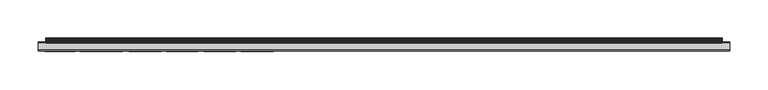
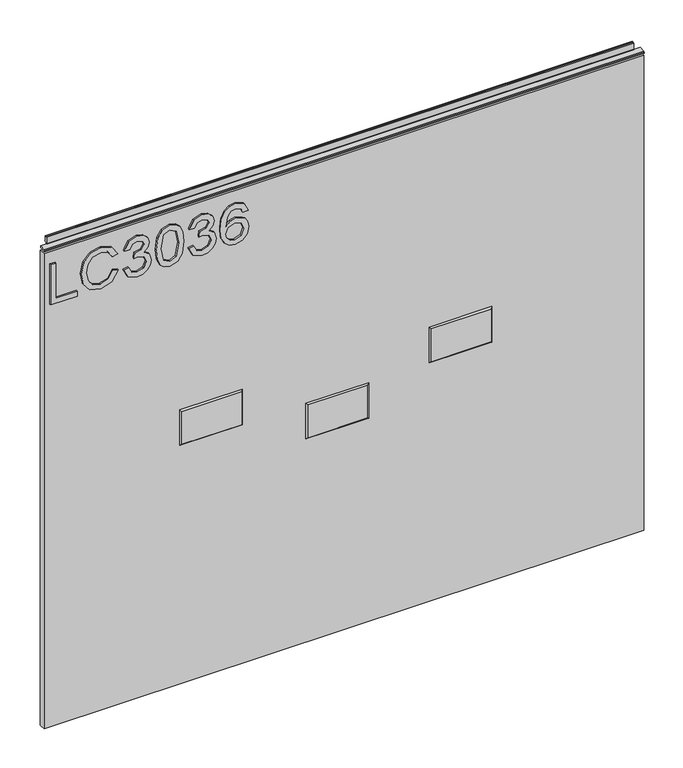
"""IFC4 building model written with IfcOpenShell, lengths in millimetres: furniture geometry."""

from ifc_helpers import new_model, si_unit, frame, origin, place, context, project, spatial, polyline, outline, extrude, faceted_brep, source, transform, mapped, element, save


def furniture_7303c6a2(model_context):
    return source(origin(), model_context, "Body", "SolidModel", [
        extrude(outline(polyline([(773.6078, -289.7737583), (773.6078, -249.9051602), (781.5815196, -249.9051602), (781.5815196, -281.8000387), (837.3975569, -281.8000387), (837.3975569, -289.7737583), (773.6078, -289.7737583)])), frame((0.0, -5.5283158, 0.0), z_axis=(0.0, 1.0, 0.0), x_axis=(0.0, 0.0, 1.0)), (0.0, 0.0, 1.0), 2.38125),
        extrude(outline(polyline([(796.2830652, -196.0825528), (784.5405171, -202.8493129), (780.5848047, -215.0512842), (783.4892943, -226.0540829), (792.265058, -233.5450187), (806.0010359, -235.9511509), (817.8525997, -233.9187868), (827.0099183, -226.8717006), (830.4205523, -214.39719), (827.3447522, -203.6202096), (817.5411263, -197.0792677), (819.4411141, -189.1055481), (833.4262708, -198.1149169), (838.3942719, -214.0857166), (834.555362, -229.410209), (823.3189582, -240.1482552), (805.9854623, -243.9248705), (788.9322924, -240.584318), (776.8004026, -230.8507736), (772.611085, -214.257027), (778.1475251, -197.5620515), (794.2273406, -188.1088332), (796.2830652, -196.0825528)])), frame((0.0, -5.5283158, 0.0), z_axis=(0.0, 1.0, 0.0), x_axis=(0.0, 0.0, 1.0)), (0.0, 0.0, 1.0), 2.38125),
        extrude(outline(polyline([(790.5519542, -180.1351135), (777.6102335, -173.7966294), (772.611085, -159.8114727), (774.0750101, -151.2887812), (778.4667854, -144.3779646), (784.9610063, -139.7993053), (792.7322681, -138.2730855), (803.1043331, -141.3255251), (808.555118, -150.0156336), (813.8345925, -143.4746917), (821.1853653, -141.2632304), (829.2291664, -143.5914942), (835.2094562, -150.3193202), (837.3975569, -159.9360621), (832.9590607, -172.6130304), (820.4534028, -179.1383986), (819.4566878, -171.164679), (826.9320499, -167.2556875), (829.4238373, -159.655736), (826.9554105, -152.1492265), (820.7181552, -149.23695), (813.6788558, -153.2549572), (811.4829682, -163.5803011), (803.5092486, -164.4680004), (804.3813742, -158.8770524), (801.11869, -149.8131758), (792.8724312, -146.2468052), (784.120028, -149.8443232), (780.5848047, -159.5311466), (783.1544604, -167.7618318), (791.5486691, -172.1613939), (790.5519542, -180.1351135)])), frame((0.0, -5.5283158, 0.0), z_axis=(0.0, 1.0, 0.0), x_axis=(0.0, 0.0, 1.0)), (0.0, 0.0, 1.0), 2.38125),
        extrude(outline(polyline([(804.9887473, -131.2960809), (789.4734775, -129.7075664), (778.6848168, -124.9420231), (774.129518, -118.6502599), (772.611085, -110.3650669), (776.1073742, -98.6926004), (786.7130443, -91.7545299), (804.9887473, -89.4340529), (819.9784058, -90.8824043), (829.4160505, -94.6200854), (835.3418324, -101.0520115), (837.3975569, -110.3650669), (833.9246283, -121.9908124), (823.3423188, -128.9522434), (804.9887473, -131.2960809)]), holes=[polyline([(805.004321, -123.3223613), (825.1566514, -119.4600908), (829.4238373, -110.4585089), (824.5804256, -101.0208642), (805.004321, -97.4077725), (785.2179718, -101.1454536), (780.5848047, -110.3650669), (785.2023982, -119.5846802), (805.004321, -123.3223613)])]), frame((0.0, -5.5283158, 0.0), z_axis=(0.0, 1.0, 0.0), x_axis=(0.0, 0.0, 1.0)), (0.0, 0.0, 1.0), 2.38125),
        extrude(outline(polyline([(790.5519542, -82.4570482), (777.6102335, -76.1185641), (772.611085, -62.1334074), (774.0750101, -53.6107159), (778.4667854, -46.6998993), (784.9610063, -42.12124), (792.7322681, -40.5950202), (803.1043331, -43.6474598), (808.555118, -52.3375683), (813.8345925, -45.7966264), (821.1853653, -43.5851651), (829.2291664, -45.9134289), (835.2094562, -52.6412548), (837.3975569, -62.2579968), (832.9590607, -74.9349651), (820.4534028, -81.4603333), (819.4566878, -73.4866136), (826.9320499, -69.5776222), (829.4238373, -61.9776707), (826.9554105, -54.4711612), (820.7181552, -51.5588847), (813.6788558, -55.5768918), (811.4829682, -65.9022358), (803.5092486, -66.7899351), (804.3813742, -61.1989871), (801.11869, -52.1351105), (792.8724312, -48.5687398), (784.120028, -52.1662579), (780.5848047, -61.8530813), (783.1544604, -70.0837665), (791.5486691, -74.4833286), (790.5519542, -82.4570482)])), frame((0.0, -5.5283158, 0.0), z_axis=(0.0, 1.0, 0.0), x_axis=(0.0, 0.0, 1.0)), (0.0, 0.0, 1.0), 2.38125),
        extrude(outline(polyline([(820.4534028, 7.2472975), (832.896766, 1.3604498), (837.3975569, -11.2386501), (835.5793308, -20.4933042), (830.1246525, -27.6377258), (819.2659103, -32.8704793), (803.3846592, -34.6147305), (789.2593395, -33.0437364), (779.7749738, -28.3307542), (774.4020572, -21.1259846), (772.611085, -12.0796284), (775.313117, -1.6296951), (783.0999526, 5.612062), (794.1027512, 8.2440124), (802.2750351, 6.8462755), (808.7887231, 2.6530645), (814.473113, -10.8960294), (812.3940279, -19.6094984), (806.0321833, -26.6410109), (820.2431582, -24.3750417), (827.4927021, -18.9320437), (829.4238373, -11.7370076), (826.1066454, -3.7477143), (819.4566878, -0.7264221), (820.4534028, 7.2472975)]), holes=[polyline([(794.2273406, -26.6410109), (803.11212, -22.6775116), (806.4993934, -13.0296223), (803.11212, -3.2571437), (793.8379988, 0.2702928), (784.1511754, -3.3038647), (780.5848047, -12.7025752), (782.3056953, -19.8898245), (787.3204174, -24.7955309), (794.2273406, -26.6410109)])]), frame((0.0, -5.5283158, 0.0), z_axis=(0.0, 1.0, 0.0), x_axis=(0.0, 0.0, 1.0)), (0.0, 0.0, 1.0), 2.38125),
        faceted_brep([(372.710075, -5.2069939, 534.756122), (283.016325, -5.2069939, 534.756122), (283.016325, -5.2069939, 482.6662783), (372.710075, -5.2069939, 482.6662783), (374.9921062, -3.1749939, 537.0381533), (374.9921062, -3.1749939, 480.384247), (280.7342937, -3.1749939, 480.384247), (280.7342937, -3.1749939, 537.0381533)], [[[0, 1, 2, 3]], [[4, 5, 6, 7]], [[4, 7, 1, 0]], [[7, 6, 2, 1]], [[6, 5, 3, 2]], [[5, 4, 0, 3]]]),
        faceted_brep([(187.452, -5.2069939, 478.7392), (97.79, -5.2069939, 478.7392), (97.79, -5.2069939, 426.6692), (187.452, -5.2069939, 426.6692), (189.738, -3.1749939, 481.0252), (189.738, -3.1749939, 424.3832), (95.504, -3.1749939, 424.3832), (95.504, -3.1749939, 481.0252)], [[[0, 1, 2, 3]], [[4, 5, 6, 7]], [[4, 7, 1, 0]], [[7, 6, 2, 1]], [[6, 5, 3, 2]], [[5, 4, 0, 3]]]),
        faceted_brep([(-2.422525, -5.2069939, 534.756122), (-92.116275, -5.2069939, 534.756122), (-92.116275, -5.2069939, 482.6662783), (-2.422525, -5.2069939, 482.6662783), (-0.1404938, -3.1749939, 537.0381533), (-0.1404938, -3.1749939, 480.384247), (-94.3983063, -3.1749939, 480.384247), (-94.3983063, -3.1749939, 537.0381533)], [[[0, 1, 2, 3]], [[4, 5, 6, 7]], [[4, 7, 1, 0]], [[7, 6, 2, 1]], [[6, 5, 3, 2]], [[5, 4, 0, 3]]]),
        extrude(outline(polyline([(-298.196, 6.3500061), (602.996, 6.3500061), (602.996, -3.1749939), (-298.196, -3.1749939), (-298.196, 6.3500061)])), frame((0.0, 0.0, 101.6), z_axis=(0.0, 0.0, 1.0), x_axis=(1.0, 0.0, 0.0)), (0.0, 0.0, 1.0), 754.5578),
        extrude(outline(polyline([(5.5562561, 863.6), (6.3500061, 863.6), (6.3500061, 873.47425), (7.1437561, 874.268), (8.6677569, 874.268), (10.0084363, 873.8506926), (10.875413, 872.7461816), (10.9623604, 871.3447591), (10.2390011, 868.3863459), (10.4046103, 867.1833307), (11.6746103, 864.9836103), (10.7786383, 864.4663244), (7.1437561, 864.4663244), (7.1437561, 863.6), (6.3500061, 863.3669239), (6.3500061, 856.1578), (5.5562561, 856.1578), (5.5562561, 863.6)])), frame((-288.671, 0.0, 0.0), z_axis=(1.0, 0.0, 0.0), x_axis=(0.0, 1.0, 0.0)), (0.0, 0.0, 1.0), 882.142),
        extrude(outline(polyline([(5.5562561, 863.6), (5.5562561, 860.4249996), (-3.975094, 860.4249996), (-5.3492339, 861.2183657), (-5.3492339, 862.8066395), (-3.9751037, 863.6), (5.5562561, 863.6)])), frame((-298.196, 0.0, 0.0), z_axis=(1.0, 0.0, 0.0), x_axis=(0.0, 1.0, 0.0)), (0.0, 0.0, 1.0), 901.192),
    ])


if __name__ == "__main__":
    model = new_model("IFC4")
    model_context = context("Model", 3, world=origin())
    ifc_project = project(units=[si_unit("LENGTHUNIT", "METRE", prefix="MILLI")], contexts=[model_context])
    site = spatial("IfcSite", under=ifc_project)
    building = spatial("IfcBuilding", under=site)
    placement = place(None, origin())
    furniture_shape = furniture_7303c6a2(model_context)
    element("IfcFurniture", 1, at=placement, inside=building, context=model_context, shape_type="MappedRepresentation", body=[
        mapped(furniture_shape, transform((0.0, 0.0, 0.0), x_axis=(1.0, 0.0, 0.0), y_axis=(0.0, 1.0, 0.0), z_axis=(0.0, 0.0, 1.0))),
    ])
    save(model, "model.ifc")
